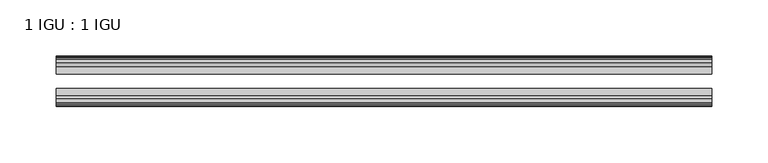
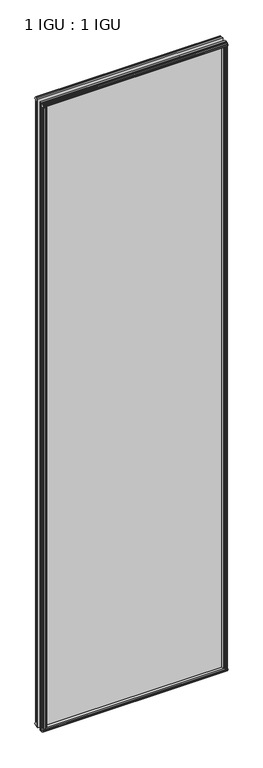
"""IFC4 building model written with IfcOpenShell, lengths in millimetres: plate geometry, 1 IGU : 1 IGU."""

from ifc_helpers import new_model, si_unit, frame, origin, origin_with_axes, place, context, project, spatial, polyline, outline, extrude, source, transform, mapped, element, save


def plate_1_igu_1_igu_a8b3ea02(model_context):
    return source(origin(), model_context, "Body", "SweptSolid", [
        extrude(outline(polyline([(277.8142137, -19.5460937), (279.9194908, -13.1960937), (285.1266852, -13.1960937), (285.5076852, -10.8158968), (284.0921562, -11.27583), (284.0921562, -10.4746158), (286.2696852, -9.7670937), (288.4472143, -10.4746158), (288.4472143, -11.27583), (287.0316852, -10.8158968), (287.4126852, -13.1960937), (291.8576852, -13.1960937), (291.8576852, -16.1419073), (289.6446077, -19.5460937), (277.8142137, -19.5460937)])), origin_with_axes(), (0.0, 0.0, 1.0), 2070.1),
        extrude(outline(polyline([(-277.8142137, -19.5460937), (-289.6446077, -19.5460937), (-291.8576852, -16.1419073), (-291.8576852, -13.1960937), (-287.4126852, -13.1960937), (-287.0316852, -10.8158968), (-288.4472143, -11.27583), (-288.4472143, -10.4746158), (-286.2696852, -9.7670937), (-284.0921562, -10.4746158), (-284.0921562, -11.27583), (-285.5076852, -10.8158968), (-285.1266852, -13.1960937), (-279.9194908, -13.1960937), (-277.8142137, -19.5460937)])), origin_with_axes(), (0.0, 0.0, 1.0), 2070.1),
        extrude(outline(polyline([(-16.1419073, -12.4576852), (-19.5460937, -10.2446077), (-19.5460937, 1.5857863), (-13.1960937, -0.5194908), (-13.1960937, -5.7266852), (-10.8158968, -6.1076852), (-11.27583, -4.6921562), (-10.4746158, -4.6921562), (-9.7670937, -6.8696852), (-10.4746158, -9.0472143), (-11.27583, -9.0472143), (-10.8158968, -7.6316852), (-13.1960937, -8.0126852), (-13.1960937, -12.4576852), (-16.1419073, -12.4576852)])), frame((-292.1, 0.0, 0.0), z_axis=(1.0, 0.0, 0.0), x_axis=(0.0, 1.0, 0.0)), (0.0, 0.0, 1.0), 584.2),
        extrude(outline(polyline([(-48.3502802, -11.938), (-51.2960937, -11.938), (-51.2960937, -7.493), (-53.6762907, -7.112), (-53.2163575, -8.5275291), (-54.0175717, -8.5275291), (-54.7250937, -6.35), (-54.0175717, -4.172471), (-53.2163575, -4.172471), (-53.6762907, -5.588), (-51.2960937, -5.207), (-51.2960937, 0.0001944), (-44.9460937, 2.1054715), (-44.9460937, -9.7249225), (-48.3502802, -11.938)])), frame((-292.1, 0.0, 0.0), z_axis=(1.0, 0.0, 0.0), x_axis=(0.0, 1.0, 0.0)), (0.0, 0.0, 1.0), 584.2),
        extrude(outline(polyline([(-16.1028367, 2082.5576852), (-13.1960937, 2082.5576852), (-13.1960937, 2078.1126852), (-10.8158968, 2077.7316852), (-11.27583, 2079.1472143), (-10.4746158, 2079.1472143), (-9.7670937, 2076.9696852), (-10.4746158, 2074.7921562), (-11.27583, 2074.7921562), (-10.8158968, 2076.2076852), (-13.1960937, 2075.8266852), (-13.1960937, 2070.5940908), (-19.5460937, 2068.4888137), (-19.5460937, 2080.3192077), (-16.1028367, 2082.5576852)])), frame((-292.1, 0.0, 0.0), z_axis=(1.0, 0.0, 0.0), x_axis=(0.0, 1.0, 0.0)), (0.0, 0.0, 1.0), 584.2),
        extrude(outline(polyline([(-48.3893508, 2082.0126), (-44.9460937, 2079.7741225), (-44.9460937, 2067.9437285), (-51.2960937, 2070.0490056), (-51.2960937, 2075.2816), (-53.6762907, 2075.6626), (-53.2163575, 2074.2470709), (-54.0175717, 2074.2470709), (-54.7250938, 2076.4246), (-54.0175717, 2078.602129), (-53.2163575, 2078.602129), (-53.6762907, 2077.1866), (-51.2960937, 2077.5676), (-51.2960937, 2082.0126), (-48.3893508, 2082.0126)])), frame((-292.1, 0.0, 0.0), z_axis=(1.0, 0.0, 0.0), x_axis=(0.0, 1.0, 0.0)), (0.0, 0.0, 1.0), 584.2),
        extrude(outline(polyline([(-277.2945285, -44.9460938), (-279.3998056, -51.2960938), (-284.607, -51.2960938), (-284.988, -53.6762907), (-283.572471, -53.2163575), (-283.572471, -54.0175717), (-285.75, -54.7250938), (-287.9275291, -54.0175717), (-287.9275291, -53.2163575), (-286.512, -53.6762907), (-286.893, -51.2960938), (-291.338, -51.2960938), (-291.338, -48.3502802), (-289.1249225, -44.9460938), (-277.2945285, -44.9460938)])), origin_with_axes(), (0.0, 0.0, 1.0), 2070.1),
        extrude(outline(polyline([(277.2945285, -44.9460938), (289.1249225, -44.9460938), (291.338, -48.3502802), (291.338, -51.2960938), (286.893, -51.2960938), (286.512, -53.6762907), (287.9275291, -53.2163575), (287.9275291, -54.0175717), (285.75, -54.7250938), (283.572471, -54.0175717), (283.572471, -53.2163575), (284.988, -53.6762907), (284.607, -51.2960938), (279.3998056, -51.2960938), (277.2945285, -44.9460938)])), origin_with_axes(), (0.0, 0.0, 1.0), 2070.1),
        extrude(outline(polyline([(292.1, -19.5460937), (292.1, -25.8337453), (-292.1, -25.8337453), (-292.1, -19.5460937), (292.1, -19.5460937)])), frame((0.0, 0.0, -12.7), z_axis=(0.0, 0.0, 1.0), x_axis=(1.0, 0.0, 0.0)), (0.0, 0.0, 1.0), 2095.4872998),
        extrude(outline(polyline([(-292.1, -44.9460937), (-292.1, -38.6468938), (292.1, -38.6468938), (292.1, -44.9460937), (-292.1, -44.9460937)])), frame((0.0, 0.0, -12.7), z_axis=(0.0, 0.0, 1.0), x_axis=(1.0, 0.0, 0.0)), (0.0, 0.0, 1.0), 2095.4872998),
    ])


if __name__ == "__main__":
    model = new_model("IFC4")
    model_context = context("Model", 3, world=origin())
    ifc_project = project(units=[si_unit("LENGTHUNIT", "METRE", prefix="MILLI")], contexts=[model_context])
    site = spatial("IfcSite", under=ifc_project)
    building = spatial("IfcBuilding", under=site)
    placement = place(None, origin())
    plate_1_igu_1_igu_shape = plate_1_igu_1_igu_a8b3ea02(model_context)
    element("IfcPlate", 1, ObjectType="1 IGU : 1 IGU", at=placement, inside=building, context=model_context, shape_type="MappedRepresentation", body=[
        mapped(plate_1_igu_1_igu_shape, transform((0.0, 0.0, 0.0), x_axis=(1.0, 0.0, 0.0), y_axis=(0.0, 1.0, 0.0), z_axis=(0.0, 0.0, 1.0))),
    ])
    save(model, "model.ifc")
